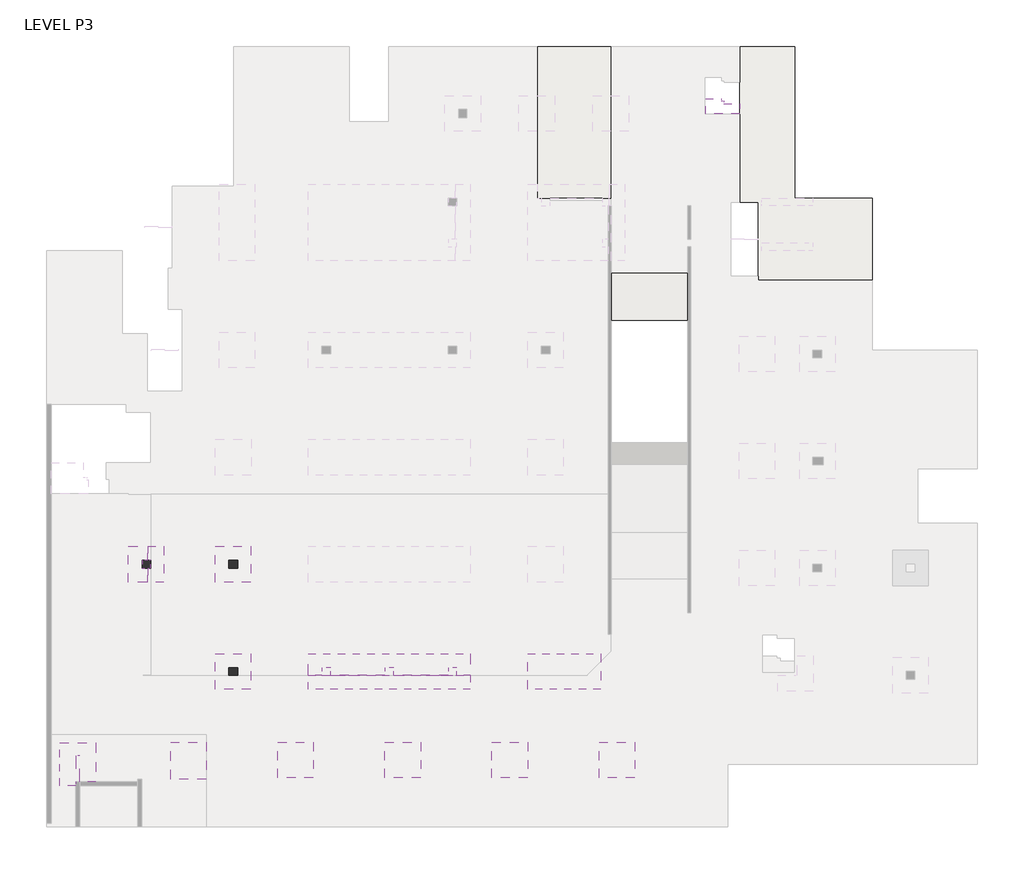
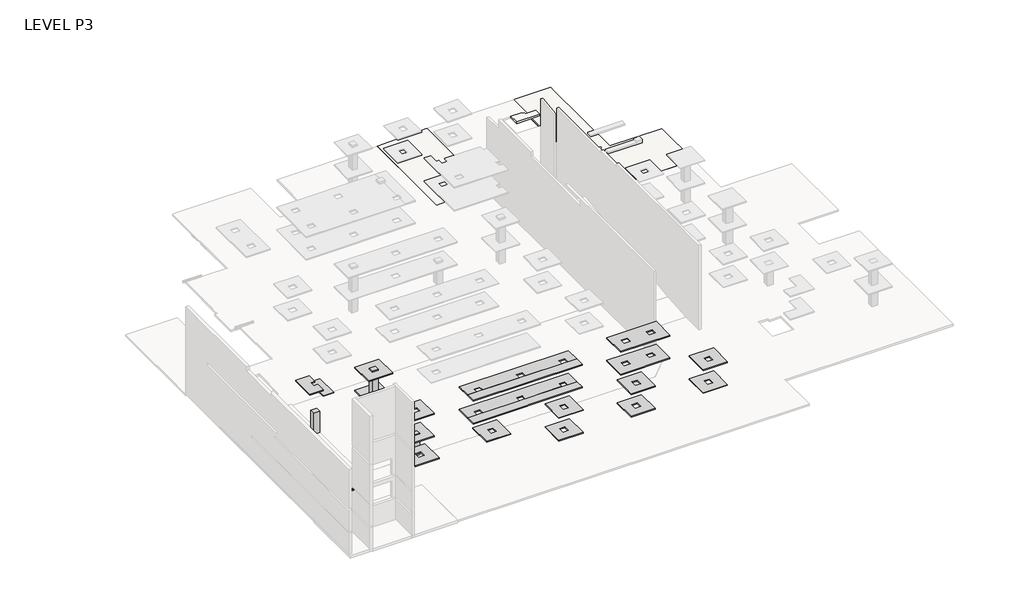
# One storey, part 2 of 4: 33 beams, 4 slabs, 3 columns.
"""IFC4 building model written with IfcOpenShell, lengths in millimetres."""

from ifc_helpers import new_model, si_unit, frame, origin, place, context, project, spatial, polyline, outline, extrude, faceted_brep, element, save

model = new_model("IFC4")

# Units and contexts
model_context = context("Model", 3, world=origin())
ifc_project = project(units=[si_unit("LENGTHUNIT", "METRE", prefix="MILLI")], contexts=[model_context])

# Site, building, storey
site = spatial("IfcSite", under=ifc_project)
building = spatial("IfcBuilding", under=site)
storey = spatial("IfcBuildingStorey", under=building, Name="LEVEL P3", Elevation=-11000.0)

# Beams
placement = place(None, origin())
element("IfcBeam", 1, ObjectType="110 DP.", at=placement, inside=storey, context=model_context, shape_type="SweptSolid", body=[
    extrude(outline(polyline([(186201.1489175, 176563.2322067), (184401.1489175, 176563.2322067), (184401.1489175, 179363.2322067), (186201.1489175, 179363.2322067), (186201.1489175, 178263.2322067), (185501.1489175, 178263.2322067), (185501.1489175, 177663.2322067), (186201.1489175, 177663.2322067), (186201.1489175, 176563.2322067)])), frame((0.0, 0.0, -11110.0), z_axis=(0.0, 0.0, 1.0), x_axis=(1.0, 0.0, 0.0)), (0.0, 0.0, 1.0), 110.0),
])
element("IfcBeam", 2, ObjectType="110 DP.", at=placement, inside=storey, context=model_context, shape_type="Brep", body=[
    faceted_brep([(198546.1491692, 169263.2322067, -11106.5162577), (198546.1491692, 170963.0636145, -11130.4575451), (211246.1491692, 170963.0636145, -11130.4575451), (211246.1491692, 169263.2322067, -11106.5162577), (210196.1491692, 169263.2322067, -11106.5162577), (210196.1491692, 169863.2322067, -11114.9669619), (209496.1491692, 169863.2322067, -11114.9669619), (209496.1491692, 169263.2322067, -11106.5162577), (205246.1491692, 169263.2322067, -11106.5162577), (205246.1491692, 169863.2322067, -11114.9669619), (204546.1491692, 169863.2322067, -11114.9669619), (204546.1491692, 169263.2322067, -11106.5162577), (200296.1491692, 169263.2322067, -11106.5162577), (200296.1491692, 169863.2322067, -11114.9669619), (199596.1491692, 169863.2322067, -11114.9669619), (199596.1491692, 169263.2322067, -11106.5162577), (211246.1491692, 169264.7813489, -10996.5271666), (211246.1491692, 170964.6127566, -11020.468454), (198546.1491692, 170964.6127566, -11020.468454), (198546.1491692, 169264.7813489, -10996.5271666), (199596.1491692, 169264.7813489, -10996.5271666), (199596.1491692, 169863.2322067, -11004.9560519), (200296.1491692, 169863.2322067, -11004.9560519), (200296.1491692, 169264.7813489, -10996.5271666), (204546.1491692, 169264.7813489, -10996.5271666), (204546.1491692, 169863.2322067, -11004.9560519), (205246.1491692, 169863.2322067, -11004.9560519), (205246.1491692, 169264.7813489, -10996.5271666), (209496.1491692, 169264.7813489, -10996.5271666), (209496.1491692, 169863.2322067, -11004.9560519), (210196.1491692, 169863.2322067, -11004.9560519), (210196.1491692, 169264.7813489, -10996.5271666)], [[[0, 1, 2, 3, 4, 5, 6, 7, 8, 9, 10, 11, 12, 13, 14, 15]], [[16, 17, 18, 19, 20, 21, 22, 23, 24, 25, 26, 27, 28, 29, 30, 31]], [[3, 16, 31, 4]], [[1, 0, 19, 18]], [[2, 1, 18, 17]], [[3, 2, 17, 16]], [[5, 30, 29, 6]], [[30, 5, 4, 31]], [[6, 29, 28, 7]], [[9, 26, 25, 10]], [[26, 9, 8, 27]], [[10, 25, 24, 11]], [[13, 22, 21, 14]], [[22, 13, 12, 23]], [[14, 21, 20, 15]], [[7, 28, 27, 8]], [[11, 24, 23, 12]], [[19, 0, 15, 20]]]),
])
element("IfcBeam", 3, ObjectType="110 DP.", at=placement, inside=storey, context=model_context, shape_type="SweptSolid", body=[
    extrude(outline(polyline([(211246.1491692, 168163.2322067), (198546.1491692, 168163.2322067), (198546.1491692, 169263.2322067), (211246.1491692, 169263.2322067), (211246.1491692, 168163.2322067)])), frame((0.0, 0.0, -11110.0), z_axis=(0.0, 0.0, 1.0), x_axis=(1.0, 0.0, 0.0)), (0.0, 0.0, 1.0), 110.0),
])
element("IfcBeam", 4, ObjectType="110 DP.", at=placement, inside=storey, context=model_context, shape_type="SweptSolid", body=[
    extrude(outline(polyline([(-1000.0, 0.0), (0.0, 0.0), (0.0, -2800.0000001), (-1000.0, -2800.0000001), (-1000.0, 0.0)])), frame((186201.1489175, 176563.2322067, -11197.0884577), z_axis=(0.0, 0.014083110254721662, 0.9999008280852424), x_axis=(-1.0, 0.0, 0.0)), (0.0, 0.0, 1.0), 110.0),
])
element("IfcBeam", 5, ObjectType="110 DP.", at=placement, inside=storey, context=model_context, shape_type="SweptSolid", body=[
    extrude(outline(polyline([(221456.1491692, 168163.0636145), (215746.1491692, 168163.0636145), (215746.1491692, 170963.0636145), (221456.1491692, 170963.0636145), (221456.1491692, 168163.0636145)]), holes=[polyline([(216796.1491692, 169263.2322067), (217496.1491692, 169263.2322067), (217496.1491692, 169863.2322067), (216796.1491692, 169863.2322067), (216796.1491692, 169263.2322067)]), polyline([(219706.1491692, 169263.2322067), (220406.1491692, 169263.2322067), (220406.1491692, 169863.2322067), (219706.1491692, 169863.2322067), (219706.1491692, 169263.2322067)])]), frame((0.0, 0.0, -11110.0), z_axis=(0.0, 0.0, 1.0), x_axis=(1.0, 0.0, 0.0)), (0.0, 0.0, 1.0), 110.0),
])
element("IfcBeam", 6, ObjectType="110 DP.", at=placement, inside=storey, context=model_context, shape_type="Brep", body=[
    faceted_brep([(198546.1491692, 169263.2322067, -8306.5162577), (198546.1491692, 170963.0636145, -8330.4575451), (211246.1491692, 170963.0636145, -8330.4575451), (211246.1491692, 169263.2322067, -8306.5162577), (210196.1491692, 169263.2322067, -8306.5162577), (210196.1491692, 169863.2322067, -8314.9669619), (209496.1491692, 169863.2322067, -8314.9669619), (209496.1491692, 169263.2322067, -8306.5162577), (205246.1491692, 169263.2322067, -8306.5162577), (205246.1491692, 169863.2322067, -8314.9669619), (204546.1491692, 169863.2322067, -8314.9669619), (204546.1491692, 169263.2322067, -8306.5162577), (200296.1491692, 169263.2322067, -8306.5162577), (200296.1491692, 169863.2322067, -8314.9669619), (199596.1491692, 169863.2322067, -8314.9669619), (199596.1491692, 169263.2322067, -8306.5162577), (211246.1491692, 169264.7813489, -8196.5271666), (211246.1491692, 170964.6127566, -8220.468454), (198546.1491692, 170964.6127566, -8220.468454), (198546.1491692, 169264.7813489, -8196.5271666), (199596.1491692, 169264.7813489, -8196.5271666), (199596.1491692, 169863.2322067, -8204.9560519), (200296.1491692, 169863.2322067, -8204.9560519), (200296.1491692, 169264.7813489, -8196.5271666), (204546.1491692, 169264.7813489, -8196.5271666), (204546.1491692, 169863.2322067, -8204.9560519), (205246.1491692, 169863.2322067, -8204.9560519), (205246.1491692, 169264.7813489, -8196.5271666), (209496.1491692, 169264.7813489, -8196.5271666), (209496.1491692, 169863.2322067, -8204.9560519), (210196.1491692, 169863.2322067, -8204.9560519), (210196.1491692, 169264.7813489, -8196.5271666)], [[[0, 1, 2, 3, 4, 5, 6, 7, 8, 9, 10, 11, 12, 13, 14, 15]], [[16, 17, 18, 19, 20, 21, 22, 23, 24, 25, 26, 27, 28, 29, 30, 31]], [[3, 16, 31, 4]], [[1, 0, 19, 18]], [[2, 1, 18, 17]], [[3, 2, 17, 16]], [[5, 30, 29, 6]], [[30, 5, 4, 31]], [[6, 29, 28, 7]], [[9, 26, 25, 10]], [[26, 9, 8, 27]], [[10, 25, 24, 11]], [[13, 22, 21, 14]], [[22, 13, 12, 23]], [[14, 21, 20, 15]], [[8, 7, 28, 27]], [[23, 12, 11, 24]], [[19, 0, 15, 20]]]),
])
element("IfcBeam", 7, ObjectType="110 DP.", at=placement, inside=storey, context=model_context, shape_type="Brep", body=[
    faceted_brep([(211246.1491692, 168163.2322067, -8310.0), (198546.1491692, 168163.2322067, -8310.0), (198546.1491692, 169263.2322067, -8310.0), (211246.1491692, 169263.2322067, -8310.0), (211246.1491692, 168163.2322067, -8200.0), (211246.1491692, 169263.2322067, -8200.0), (210196.1491692, 169263.2322067, -8200.0), (209496.1491692, 169263.2322067, -8200.0), (205246.1491692, 169263.2322067, -8200.0), (204546.1491692, 169263.2322067, -8200.0), (200296.1491692, 169263.2322067, -8200.0), (199596.1491692, 169263.2322067, -8200.0), (198546.1491692, 169263.2322067, -8200.0), (198546.1491692, 168163.2322067, -8200.0)], [[[0, 1, 2, 3]], [[4, 5, 6, 7, 8, 9, 10, 11, 12, 13]], [[1, 0, 4, 13]], [[2, 1, 13, 12]], [[3, 2, 12, 11, 10, 9, 8, 7, 6, 5]], [[0, 3, 5, 4]]]),
])
element("IfcBeam", 8, ObjectType="110 DP.", at=placement, inside=storey, context=model_context, shape_type="SweptSolid", body=[
    extrude(outline(polyline([(221456.1491692, 168163.0636145), (215746.1491692, 168163.0636145), (215746.1491692, 170963.0636145), (221456.1491692, 170963.0636145), (221456.1491692, 168163.0636145)]), holes=[polyline([(216796.1491692, 169263.2322067), (217496.1491692, 169263.2322067), (217496.1491692, 169863.2322067), (216796.1491692, 169863.2322067), (216796.1491692, 169263.2322067)]), polyline([(219706.1491692, 169263.2322067), (220406.1491692, 169263.2322067), (220406.1491692, 169863.2322067), (219706.1491692, 169863.2322067), (219706.1491692, 169263.2322067)])]), frame((0.0, 0.0, -8310.0), z_axis=(0.0, 0.0, 1.0), x_axis=(1.0, 0.0, 0.0)), (0.0, 0.0, 1.0), 110.0),
])
element("IfcBeam", 9, ObjectType="110 DP.", at=placement, inside=storey, context=model_context, shape_type="SweptSolid", body=[
    extrude(outline(polyline([(184401.1489175, 176563.2322067), (184401.1489175, 179363.2322067), (185951.1489175, 179363.2322067), (185951.1489175, 178263.2322067), (185501.1489175, 178263.2322067), (185501.1489175, 177663.2322067), (185951.1489175, 177663.2322067), (185951.1489175, 176563.2322067), (184401.1489175, 176563.2322067)])), frame((0.0, 0.0, -4885.0), z_axis=(0.0, 0.0, 1.0), x_axis=(1.0, 0.0, 0.0)), (0.0, 0.0, 1.0), 110.0),
])
element("IfcBeam", 10, ObjectType="110 DP.", at=placement, inside=storey, context=model_context, shape_type="Brep", body=[
    faceted_brep([(198546.1491692, 169263.2322067, -5506.5162577), (198546.1491692, 170963.0636145, -5530.4575451), (211246.1491692, 170963.0636145, -5530.4575451), (211246.1491692, 169263.2322067, -5506.5162577), (210196.1491692, 169263.2322067, -5506.5162577), (210196.1491692, 169863.2322067, -5514.9669619), (209496.1491692, 169863.2322067, -5514.9669619), (209496.1491692, 169263.2322067, -5506.5162577), (205246.1491692, 169263.2322067, -5506.5162577), (205246.1491692, 169863.2322067, -5514.9669619), (204546.1491692, 169863.2322067, -5514.9669619), (204546.1491692, 169263.2322067, -5506.5162577), (200296.1491692, 169263.2322067, -5506.5162577), (200296.1491692, 169863.2322067, -5514.9669619), (199596.1491692, 169863.2322067, -5514.9669619), (199596.1491692, 169263.2322067, -5506.5162577), (211246.1491692, 169264.7813489, -5396.5271666), (211246.1491692, 170964.6127566, -5420.468454), (198546.1491692, 170964.6127566, -5420.468454), (198546.1491692, 169264.7813489, -5396.5271666), (199596.1491692, 169264.7813489, -5396.5271666), (199596.1491692, 169863.2322067, -5404.9560519), (200296.1491692, 169863.2322067, -5404.9560519), (200296.1491692, 169264.7813489, -5396.5271666), (204546.1491692, 169264.7813489, -5396.5271666), (204546.1491692, 169863.2322067, -5404.9560519), (205246.1491692, 169863.2322067, -5404.9560519), (205246.1491692, 169264.7813489, -5396.5271666), (209496.1491692, 169264.7813489, -5396.5271666), (209496.1491692, 169863.2322067, -5404.9560519), (210196.1491692, 169863.2322067, -5404.9560519), (210196.1491692, 169264.7813489, -5396.5271666)], [[[0, 1, 2, 3, 4, 5, 6, 7, 8, 9, 10, 11, 12, 13, 14, 15]], [[16, 17, 18, 19, 20, 21, 22, 23, 24, 25, 26, 27, 28, 29, 30, 31]], [[3, 16, 31, 4]], [[1, 0, 19, 18]], [[2, 1, 18, 17]], [[3, 2, 17, 16]], [[29, 6, 5, 30]], [[30, 5, 4, 31]], [[6, 29, 28, 7]], [[25, 10, 9, 26]], [[26, 9, 8, 27]], [[10, 25, 24, 11]], [[13, 22, 21, 14]], [[22, 13, 12, 23]], [[14, 21, 20, 15]], [[7, 28, 27, 8]], [[11, 24, 23, 12]], [[19, 0, 15, 20]]]),
])
element("IfcBeam", 11, ObjectType="110 DP.", at=placement, inside=storey, context=model_context, shape_type="SweptSolid", body=[
    extrude(outline(polyline([(211246.1491692, 168163.2322067), (198546.1491692, 168163.2322067), (198546.1491692, 169263.2322067), (211246.1491692, 169263.2322067), (211246.1491692, 168163.2322067)])), frame((0.0, 0.0, -5510.0), z_axis=(0.0, 0.0, 1.0), x_axis=(1.0, 0.0, 0.0)), (0.0, 0.0, 1.0), 110.0),
])
element("IfcBeam", 12, ObjectType="110 DP.", at=placement, inside=storey, context=model_context, shape_type="Brep", body=[
    faceted_brep([(187201.1489175, 176563.2322067, -5597.0884577), (185951.1489175, 176563.2322067, -5597.0884577), (185951.1489175, 177663.2322067, -5612.5814155), (186201.1489175, 177663.2322067, -5612.5814155), (186201.1489175, 178263.2322067, -5621.0321197), (185951.1489175, 178263.2322067, -5621.0321197), (185951.1489175, 179362.9545254, -5636.5211664), (187201.1489175, 179362.9545254, -5636.5211664), (187201.1489175, 176564.5594325, -5502.8554311), (185951.1489175, 176564.5594325, -5502.8554311), (185951.1489175, 177663.2322067, -5518.3296955), (185951.1489175, 179364.2817511, -5542.2881398), (187201.1489175, 179364.2817511, -5542.2881398), (186201.1489175, 177663.2322067, -5518.3296955), (186201.1489175, 178263.2322067, -5526.7803997), (185951.1489175, 178263.2322067, -5526.7803997)], [[[0, 1, 2, 3, 4, 5, 6, 7]], [[1, 0, 8, 9]], [[2, 1, 9, 10]], [[7, 6, 11, 12]], [[0, 7, 12, 8]], [[3, 2, 10, 13]], [[5, 4, 14, 15]], [[4, 3, 13, 14]], [[6, 5, 15, 11]], [[9, 8, 12, 11, 15, 14, 13, 10]]]),
])
element("IfcBeam", 13, ObjectType="110 DP.", at=placement, inside=storey, context=model_context, shape_type="SweptSolid", body=[
    extrude(outline(polyline([(221456.1491692, 168163.0636145), (215746.1491692, 168163.0636145), (215746.1491692, 170963.0636145), (221456.1491692, 170963.0636145), (221456.1491692, 168163.0636145)]), holes=[polyline([(216796.1491692, 169263.2322067), (217496.1491692, 169263.2322067), (217496.1491692, 169863.2322067), (216796.1491692, 169863.2322067), (216796.1491692, 169263.2322067)]), polyline([(219706.1491692, 169263.2322067), (220406.1491692, 169263.2322067), (220406.1491692, 169863.2322067), (219706.1491692, 169863.2322067), (219706.1491692, 169263.2322067)])]), frame((0.0, 0.0, -5510.0), z_axis=(0.0, 0.0, 1.0), x_axis=(1.0, 0.0, 0.0)), (0.0, 0.0, 1.0), 110.0),
])
element("IfcBeam", 14, ObjectType="110 DP.", at=placement, inside=storey, context=model_context, shape_type="SweptSolid", body=[
    extrude(outline(polyline([(187736.3204833, 164013.2318341), (190536.3204833, 164013.2318341), (190536.3204833, 161113.2318341), (187736.3204833, 161113.2318341), (187736.3204833, 164013.2318341)]), holes=[polyline([(189436.3204833, 162263.2318341), (189436.3204833, 162963.2318341), (188836.3204833, 162963.2318341), (188836.3204833, 162263.2318341), (189436.3204833, 162263.2318341)])]), frame((0.0, 0.0, -5510.0), z_axis=(0.0, 0.0, 1.0), x_axis=(1.0, 0.0, 0.0)), (0.0, 0.0, 1.0), 110.0),
])
element("IfcBeam", 15, ObjectType="110 DP.", at=placement, inside=storey, context=model_context, shape_type="Brep", body=[
    faceted_brep([(179061.3204833, 160613.2318341, -5510.0), (179061.3204833, 163963.2318341, -5510.0), (181861.3204833, 163963.2318341, -5510.0), (181861.3204833, 160913.2318341, -5510.0), (180611.3204833, 160913.2318341, -5510.0), (180611.3204833, 162963.2318341, -5510.0), (180311.3204833, 162963.2318341, -5510.0), (180311.3204833, 160613.2318341, -5510.0), (181861.3204833, 163963.2318341, -5400.0), (179061.3204833, 163963.2318341, -5400.0), (179061.3204833, 160613.2318341, -5400.0), (180311.3204833, 160613.2318341, -5400.0), (180311.3204833, 160913.2318341, -5400.0), (180311.3204833, 162963.2318341, -5400.0), (180611.3204833, 162963.2318341, -5400.0), (180611.3204833, 160913.2318341, -5400.0), (181861.3204833, 160913.2318341, -5400.0)], [[[0, 1, 2, 3, 4, 5, 6, 7]], [[8, 9, 10, 11, 12, 13, 14, 15, 16]], [[10, 9, 1, 0]], [[9, 8, 2, 1]], [[2, 8, 16, 3]], [[6, 13, 12, 11, 7]], [[3, 16, 15, 4]], [[10, 0, 7, 11]], [[14, 5, 4, 15]], [[5, 14, 13, 6]]]),
])
element("IfcBeam", 16, ObjectType="2800x2800x110 DP.", at=placement, inside=storey, context=model_context, shape_type="Brep", body=[
    faceted_brep([(194036.1491692, 176564.7813489, -11128.8456754), (194036.1491692, 179364.5036675, -11168.2783841), (191236.1491692, 179364.5036675, -11168.2783841), (191236.1491692, 176564.7813489, -11128.8456754), (193096.1491692, 177663.2322067, -11144.3168143), (192296.1491692, 177663.2322067, -11144.3168143), (192296.1491692, 178263.2322067, -11152.7675185), (193096.1491692, 178263.2322067, -11152.7675185), (194036.1491692, 176563.2322067, -11238.8347665), (191236.1491692, 176563.2322067, -11238.8347665), (191236.1491692, 179362.9545254, -11278.2674752), (194036.1491692, 179362.9545254, -11278.2674752), (192296.1491692, 177663.2322067, -11254.3277243), (193096.1491692, 177663.2322067, -11254.3277243), (193096.1491692, 178263.2322067, -11262.7784285), (192296.1491692, 178263.2322067, -11262.7784285)], [[[0, 1, 2, 3], [4, 5, 6, 7]], [[8, 9, 10, 11], [12, 13, 14, 15]], [[0, 3, 9, 8]], [[3, 2, 10, 9]], [[2, 1, 11, 10]], [[1, 0, 8, 11]], [[12, 5, 4, 13]], [[14, 7, 6, 15]], [[7, 14, 13, 4]], [[5, 12, 15, 6]]]),
])
element("IfcBeam", 17, ObjectType="2800x2800x110 DP.", at=placement, inside=storey, context=model_context, shape_type="Brep", body=[
    faceted_brep([(194036.1491692, 168164.890438, -11000.0), (194036.1491692, 170964.6127566, -11039.4327087), (191236.1491692, 170964.6127566, -11039.4327087), (191236.1491692, 168164.890438, -11000.0), (192296.1491692, 169863.2322067, -11023.9203066), (193096.1491692, 169863.2322067, -11023.9203066), (193096.1491692, 169263.2322067, -11015.4696024), (192296.1491692, 169263.2322067, -11015.4696024), (194036.1491692, 168163.3412958, -11109.9890911), (191236.1491692, 168163.3412958, -11109.9890911), (191236.1491692, 170963.0636145, -11149.4217998), (194036.1491692, 170963.0636145, -11149.4217998), (193096.1491692, 169863.2322067, -11133.9312166), (192296.1491692, 169863.2322067, -11133.9312166), (192296.1491692, 169263.2322067, -11125.4805124), (193096.1491692, 169263.2322067, -11125.4805124)], [[[0, 1, 2, 3], [4, 5, 6, 7]], [[8, 9, 10, 11], [12, 13, 14, 15]], [[0, 3, 9, 8]], [[3, 2, 10, 9]], [[2, 1, 11, 10]], [[1, 0, 8, 11]], [[12, 5, 4, 13]], [[5, 12, 15, 6]], [[6, 15, 14, 7]], [[7, 14, 13, 4]]]),
])
element("IfcBeam", 18, ObjectType="2800x2800x110 DP.", at=placement, inside=storey, context=model_context, shape_type="Brep", body=[
    faceted_brep([(187203.8204833, 168164.890438, -11000.1593221), (187203.8204833, 170964.6127566, -11039.5920308), (184403.8204833, 170964.6127566, -11039.5920308), (184403.8204833, 168164.890438, -11000.1593221), (185501.1489175, 169863.2322067, -11024.0796287), (186201.1489175, 169863.2322067, -11024.0796287), (186201.1489175, 169263.2322067, -11015.6289245), (185501.1489175, 169263.2322067, -11015.6289245), (187203.8204833, 168163.3412958, -11110.1484132), (184403.8204833, 168163.3412958, -11110.1484132), (184403.8204833, 170963.0636145, -11149.5811219), (187203.8204833, 170963.0636145, -11149.5811219), (186201.1489175, 169863.2322067, -11134.0905387), (185501.1489175, 169863.2322067, -11134.0905387), (185501.1489175, 169263.2322067, -11125.6398345), (186201.1489175, 169263.2322067, -11125.6398345)], [[[0, 1, 2, 3], [4, 5, 6, 7]], [[8, 9, 10, 11], [12, 13, 14, 15]], [[0, 3, 9, 8]], [[3, 2, 10, 9]], [[2, 1, 11, 10]], [[1, 0, 8, 11]], [[12, 5, 4, 13]], [[5, 12, 15, 6]], [[6, 15, 14, 7]], [[7, 14, 13, 4]]]),
])
element("IfcBeam", 19, ObjectType="2800x2800x110 DP.", at=placement, inside=storey, context=model_context, shape_type="SweptSolid", body=[
    extrude(outline(polyline([(198936.3204833, 161213.2318341), (196136.3204833, 161213.2318341), (196136.3204833, 164013.2318341), (198936.3204833, 164013.2318341), (198936.3204833, 161213.2318341)]), holes=[polyline([(197836.3204833, 162263.2318341), (197836.3204833, 162963.2318341), (197236.3204833, 162963.2318341), (197236.3204833, 162263.2318341), (197836.3204833, 162263.2318341)])]), frame((0.0, 0.0, -11110.0), z_axis=(0.0, 0.0, 1.0), x_axis=(1.0, 0.0, 0.0)), (0.0, 0.0, 1.0), 110.0),
])
element("IfcBeam", 20, ObjectType="2800x2800x110 DP.", at=placement, inside=storey, context=model_context, shape_type="SweptSolid", body=[
    extrude(outline(polyline([(207336.3204833, 161213.2318341), (204536.3204833, 161213.2318341), (204536.3204833, 164013.2318341), (207336.3204833, 164013.2318341), (207336.3204833, 161213.2318341)]), holes=[polyline([(206236.3204833, 162263.2318341), (206236.3204833, 162963.2318341), (205636.3204833, 162963.2318341), (205636.3204833, 162263.2318341), (206236.3204833, 162263.2318341)])]), frame((0.0, 0.0, -11110.0), z_axis=(0.0, 0.0, 1.0), x_axis=(1.0, 0.0, 0.0)), (0.0, 0.0, 1.0), 110.0),
])
element("IfcBeam", 21, ObjectType="2800x2800x110 DP.", at=placement, inside=storey, context=model_context, shape_type="SweptSolid", body=[
    extrude(outline(polyline([(215736.3204833, 161213.2318341), (212936.3204833, 161213.2318341), (212936.3204833, 164013.2318341), (215736.3204833, 164013.2318341), (215736.3204833, 161213.2318341)]), holes=[polyline([(214636.3204833, 162263.2318341), (214636.3204833, 162963.2318341), (214036.3204833, 162963.2318341), (214036.3204833, 162263.2318341), (214636.3204833, 162263.2318341)])]), frame((0.0, 0.0, -11110.0), z_axis=(0.0, 0.0, 1.0), x_axis=(1.0, 0.0, 0.0)), (0.0, 0.0, 1.0), 110.0),
])
element("IfcBeam", 22, ObjectType="2800x2800x110 DP.", at=placement, inside=storey, context=model_context, shape_type="SweptSolid", body=[
    extrude(outline(polyline([(224136.3204833, 161213.2318341), (221336.3204833, 161213.2318341), (221336.3204833, 164013.2318341), (224136.3204833, 164013.2318341), (224136.3204833, 161213.2318341)]), holes=[polyline([(223036.3204833, 162263.2318341), (223036.3204833, 162963.2318341), (222436.3204833, 162963.2318341), (222436.3204833, 162263.2318341), (223036.3204833, 162263.2318341)])]), frame((0.0, 0.0, -11110.0), z_axis=(0.0, 0.0, 1.0), x_axis=(1.0, 0.0, 0.0)), (0.0, 0.0, 1.0), 110.0),
])
element("IfcBeam", 23, ObjectType="2800x2800x110 DP.", at=placement, inside=storey, context=model_context, shape_type="Brep", body=[
    faceted_brep([(194036.1491692, 176564.7813489, -8368.8456754), (194036.1491692, 179364.5036675, -8408.2783841), (191236.1491692, 179364.5036675, -8408.2783841), (191236.1491692, 176564.7813489, -8368.8456754), (192996.1491692, 177663.2322067, -8384.3168143), (192296.1491692, 177663.2322067, -8384.3168143), (192296.1491692, 178263.2322067, -8392.7675185), (192996.1491692, 178263.2322067, -8392.7675185), (194036.1491692, 176563.2322067, -8478.8347665), (191236.1491692, 176563.2322067, -8478.8347665), (191236.1491692, 179362.9545254, -8518.2674752), (194036.1491692, 179362.9545254, -8518.2674752), (192296.1491692, 177663.2322067, -8494.3277243), (192996.1491692, 177663.2322067, -8494.3277243), (192996.1491692, 178263.2322067, -8502.7784285), (192296.1491692, 178263.2322067, -8502.7784285)], [[[0, 1, 2, 3], [4, 5, 6, 7]], [[8, 9, 10, 11], [12, 13, 14, 15]], [[0, 3, 9, 8]], [[3, 2, 10, 9]], [[2, 1, 11, 10]], [[1, 0, 8, 11]], [[12, 5, 4, 13]], [[5, 12, 15, 6]], [[6, 15, 14, 7]], [[7, 14, 13, 4]]]),
])
element("IfcBeam", 24, ObjectType="2800x2800x110 DP.", at=placement, inside=storey, context=model_context, shape_type="Brep", body=[
    faceted_brep([(194036.1491692, 168164.890438, -8200.0), (194036.1491692, 170964.6127566, -8239.4327087), (191236.1491692, 170964.6127566, -8239.4327087), (191236.1491692, 168164.890438, -8200.0), (192296.1491692, 169863.2322067, -8223.9203066), (192996.1491692, 169863.2322067, -8223.9203066), (192996.1491692, 169263.2322067, -8215.4696024), (192296.1491692, 169263.2322067, -8215.4696024), (194036.1491692, 168163.3412958, -8309.9890911), (191236.1491692, 168163.3412958, -8309.9890911), (191236.1491692, 170963.0636145, -8349.4217998), (194036.1491692, 170963.0636145, -8349.4217998), (192996.1491692, 169863.2322067, -8333.9312166), (192296.1491692, 169863.2322067, -8333.9312166), (192296.1491692, 169263.2322067, -8325.4805124), (192996.1491692, 169263.2322067, -8325.4805124)], [[[0, 1, 2, 3], [4, 5, 6, 7]], [[8, 9, 10, 11], [12, 13, 14, 15]], [[0, 3, 9, 8]], [[3, 2, 10, 9]], [[2, 1, 11, 10]], [[1, 0, 8, 11]], [[12, 5, 4, 13]], [[5, 12, 15, 6]], [[6, 15, 14, 7]], [[7, 14, 13, 4]]]),
])
element("IfcBeam", 25, ObjectType="2800x2800x110 DP.", at=placement, inside=storey, context=model_context, shape_type="SweptSolid", body=[
    extrude(outline(polyline([(207336.3204833, 161213.2318341), (204536.3204833, 161213.2318341), (204536.3204833, 164013.2318341), (207336.3204833, 164013.2318341), (207336.3204833, 161213.2318341)]), holes=[polyline([(206236.3204833, 162263.2318341), (206236.3204833, 162963.2318341), (205636.3204833, 162963.2318341), (205636.3204833, 162263.2318341), (206236.3204833, 162263.2318341)])]), frame((0.0, 0.0, -8310.0), z_axis=(0.0, 0.0, 1.0), x_axis=(1.0, 0.0, 0.0)), (0.0, 0.0, 1.0), 110.0),
])
element("IfcBeam", 26, ObjectType="2800x2800x110 DP.", at=placement, inside=storey, context=model_context, shape_type="SweptSolid", body=[
    extrude(outline(polyline([(215736.3204833, 161213.2318341), (212936.3204833, 161213.2318341), (212936.3204833, 164013.2318341), (215736.3204833, 164013.2318341), (215736.3204833, 161213.2318341)]), holes=[polyline([(214636.3204833, 162263.2318341), (214636.3204833, 162963.2318341), (214036.3204833, 162963.2318341), (214036.3204833, 162263.2318341), (214636.3204833, 162263.2318341)])]), frame((0.0, 0.0, -8310.0), z_axis=(0.0, 0.0, 1.0), x_axis=(1.0, 0.0, 0.0)), (0.0, 0.0, 1.0), 110.0),
])
element("IfcBeam", 27, ObjectType="2800x2800x110 DP.", at=placement, inside=storey, context=model_context, shape_type="SweptSolid", body=[
    extrude(outline(polyline([(224136.3204833, 161213.2318341), (221336.3204833, 161213.2318341), (221336.3204833, 164013.2318341), (224136.3204833, 164013.2318341), (224136.3204833, 161213.2318341)]), holes=[polyline([(223036.3204833, 162263.2318341), (223036.3204833, 162963.2318341), (222436.3204833, 162963.2318341), (222436.3204833, 162263.2318341), (223036.3204833, 162263.2318341)])]), frame((0.0, 0.0, -8310.0), z_axis=(0.0, 0.0, 1.0), x_axis=(1.0, 0.0, 0.0)), (0.0, 0.0, 1.0), 110.0),
])
element("IfcBeam", 28, ObjectType="2800x2800x110 DP.", at=placement, inside=storey, context=model_context, shape_type="Brep", body=[
    faceted_brep([(194036.1491692, 176564.7813489, -5508.8456754), (194036.1491692, 179364.5036675, -5548.2783841), (191236.1491692, 179364.5036675, -5548.2783841), (191236.1491692, 176564.7813489, -5508.8456754), (192996.1491692, 177663.2322067, -5524.3168143), (192296.1491692, 177663.2322067, -5524.3168143), (192296.1491692, 178263.2322067, -5532.7675185), (192996.1491692, 178263.2322067, -5532.7675185), (194036.1491692, 176563.2322067, -5618.8347665), (191236.1491692, 176563.2322067, -5618.8347665), (191236.1491692, 179362.9545254, -5658.2674752), (194036.1491692, 179362.9545254, -5658.2674752), (192296.1491692, 177663.2322067, -5634.3277243), (192996.1491692, 177663.2322067, -5634.3277243), (192996.1491692, 178263.2322067, -5642.7784285), (192296.1491692, 178263.2322067, -5642.7784285)], [[[0, 1, 2, 3], [4, 5, 6, 7]], [[8, 9, 10, 11], [12, 13, 14, 15]], [[0, 3, 9, 8]], [[3, 2, 10, 9]], [[2, 1, 11, 10]], [[1, 0, 8, 11]], [[12, 5, 4, 13]], [[5, 12, 15, 6]], [[6, 15, 14, 7]], [[7, 14, 13, 4]]]),
])
element("IfcBeam", 29, ObjectType="2800x2800x110 DP.", at=placement, inside=storey, context=model_context, shape_type="Brep", body=[
    faceted_brep([(194036.1491692, 168164.890438, -5400.0), (194036.1491692, 170964.6127566, -5439.4327087), (191236.1491692, 170964.6127566, -5439.4327087), (191236.1491692, 168164.890438, -5400.0), (192296.1491692, 169863.2322067, -5423.9203066), (192996.1491692, 169863.2322067, -5423.9203066), (192996.1491692, 169263.2322067, -5415.4696024), (192296.1491692, 169263.2322067, -5415.4696024), (194036.1491692, 168163.3412958, -5509.9890911), (191236.1491692, 168163.3412958, -5509.9890911), (191236.1491692, 170963.0636145, -5549.4217998), (194036.1491692, 170963.0636145, -5549.4217998), (192996.1491692, 169863.2322067, -5533.9312166), (192296.1491692, 169863.2322067, -5533.9312166), (192296.1491692, 169263.2322067, -5525.4805124), (192996.1491692, 169263.2322067, -5525.4805124)], [[[0, 1, 2, 3], [4, 5, 6, 7]], [[8, 9, 10, 11], [12, 13, 14, 15]], [[0, 3, 9, 8]], [[3, 2, 10, 9]], [[2, 1, 11, 10]], [[1, 0, 8, 11]], [[12, 5, 4, 13]], [[5, 12, 15, 6]], [[6, 15, 14, 7]], [[7, 14, 13, 4]]]),
])
element("IfcBeam", 30, ObjectType="2800x2800x110 DP.", at=placement, inside=storey, context=model_context, shape_type="SweptSolid", body=[
    extrude(outline(polyline([(198936.3204833, 161213.2318341), (196136.3204833, 161213.2318341), (196136.3204833, 164013.2318341), (198936.3204833, 164013.2318341), (198936.3204833, 161213.2318341)]), holes=[polyline([(197836.3204833, 162263.2318341), (197836.3204833, 162963.2318341), (197236.3204833, 162963.2318341), (197236.3204833, 162263.2318341), (197836.3204833, 162263.2318341)])]), frame((0.0, 0.0, -5510.0), z_axis=(0.0, 0.0, 1.0), x_axis=(1.0, 0.0, 0.0)), (0.0, 0.0, 1.0), 110.0),
])
element("IfcBeam", 31, ObjectType="2800x2800x110 DP.", at=placement, inside=storey, context=model_context, shape_type="SweptSolid", body=[
    extrude(outline(polyline([(207336.3204833, 161213.2318341), (204536.3204833, 161213.2318341), (204536.3204833, 164013.2318341), (207336.3204833, 164013.2318341), (207336.3204833, 161213.2318341)]), holes=[polyline([(206236.3204833, 162263.2318341), (206236.3204833, 162963.2318341), (205636.3204833, 162963.2318341), (205636.3204833, 162263.2318341), (206236.3204833, 162263.2318341)])]), frame((0.0, 0.0, -5510.0), z_axis=(0.0, 0.0, 1.0), x_axis=(1.0, 0.0, 0.0)), (0.0, 0.0, 1.0), 110.0),
])
element("IfcBeam", 32, ObjectType="2800x2800x110 DP.", at=placement, inside=storey, context=model_context, shape_type="SweptSolid", body=[
    extrude(outline(polyline([(215736.3204833, 161213.2318341), (212936.3204833, 161213.2318341), (212936.3204833, 164013.2318341), (215736.3204833, 164013.2318341), (215736.3204833, 161213.2318341)]), holes=[polyline([(214636.3204833, 162263.2318341), (214636.3204833, 162963.2318341), (214036.3204833, 162963.2318341), (214036.3204833, 162263.2318341), (214636.3204833, 162263.2318341)])]), frame((0.0, 0.0, -5510.0), z_axis=(0.0, 0.0, 1.0), x_axis=(1.0, 0.0, 0.0)), (0.0, 0.0, 1.0), 110.0),
])
element("IfcBeam", 33, ObjectType="2800x2800x110 DP.", at=placement, inside=storey, context=model_context, shape_type="SweptSolid", body=[
    extrude(outline(polyline([(224136.3204833, 161213.2318341), (221336.3204833, 161213.2318341), (221336.3204833, 164013.2318341), (224136.3204833, 164013.2318341), (224136.3204833, 161213.2318341)]), holes=[polyline([(223036.3204833, 162263.2318341), (223036.3204833, 162963.2318341), (222436.3204833, 162963.2318341), (222436.3204833, 162263.2318341), (223036.3204833, 162263.2318341)])]), frame((0.0, 0.0, -5510.0), z_axis=(0.0, 0.0, 1.0), x_axis=(1.0, 0.0, 0.0)), (0.0, 0.0, 1.0), 110.0),
])

# Columns
element("IfcColumn", 34, ObjectType="SE_CONCRETE COLUMN_RECTANGULAR : 600X700", at=placement, inside=storey, context=model_context, shape_type="Brep", body=[
    faceted_brep([(186201.1489175, 177663.2322067, -11000.0), (185501.1489175, 177663.2322067, -11000.0), (185501.1489175, 178263.2322067, -11000.0), (186201.1489175, 178263.2322067, -11000.0), (186201.1489175, 177663.2322067, -8200.0), (185501.1489175, 177663.2322067, -8200.0), (185501.1489175, 177663.2322067, -8400.0), (185501.1489175, 177663.2322067, -8510.0), (186201.1489175, 177663.2322067, -8510.0), (186201.1489175, 177663.2322067, -8400.0), (185501.1489175, 178263.2322067, -8200.0), (185501.1489175, 178263.2322067, -8400.0), (185501.1489175, 178263.2322067, -8510.0), (186201.1489175, 178263.2322067, -8200.0), (186201.1489175, 178263.2322067, -8400.0), (186201.1489175, 178263.2322067, -8510.0)], [[[0, 1, 2, 3]], [[4, 5, 6, 7, 1, 0, 8, 9]], [[5, 10, 11, 12, 2, 1, 7, 6]], [[10, 13, 14, 15, 3, 2, 12, 11]], [[13, 4, 9, 8, 0, 3, 15, 14]], [[4, 13, 10, 5]]]),
])
element("IfcColumn", 35, ObjectType="SE_CONCRETE COLUMN_RECTANGULAR : 600X700", at=placement, inside=storey, context=model_context, shape_type="Brep", body=[
    faceted_brep([(192996.1491692, 177663.2322067, -11000.0), (192296.1491692, 177663.2322067, -11000.0), (192296.1491692, 178263.2322067, -11000.0), (192996.1491692, 178263.2322067, -11000.0), (192996.1491692, 177663.2322067, -5400.0), (192296.1491692, 177663.2322067, -5400.0), (192296.1491692, 177663.2322067, -5524.3168143), (192296.1491692, 177663.2322067, -5634.3277243), (192296.1491692, 177663.2322067, -8384.3168143), (192296.1491692, 177663.2322067, -8494.3277243), (192996.1491692, 177663.2322067, -8494.3277243), (192996.1491692, 177663.2322067, -8384.3168143), (192996.1491692, 177663.2322067, -5634.3277243), (192996.1491692, 177663.2322067, -5524.3168143), (192296.1491692, 178263.2322067, -5400.0), (192296.1491692, 178263.2322067, -5532.7675185), (192296.1491692, 178263.2322067, -5642.7784285), (192296.1491692, 178263.2322067, -8392.7675185), (192296.1491692, 178263.2322067, -8502.7784285), (192996.1491692, 178263.2322067, -5400.0), (192996.1491692, 178263.2322067, -5532.7675185), (192996.1491692, 178263.2322067, -5642.7784285), (192996.1491692, 178263.2322067, -8392.7675185), (192996.1491692, 178263.2322067, -8502.7784285)], [[[0, 1, 2, 3]], [[4, 5, 6, 7, 8, 9, 1, 0, 10, 11, 12, 13]], [[5, 14, 15, 16, 17, 18, 2, 1, 9, 8, 7, 6]], [[14, 19, 20, 21, 22, 23, 3, 2, 18, 17, 16, 15]], [[19, 4, 13, 12, 11, 10, 0, 3, 23, 22, 21, 20]], [[4, 19, 14, 5]]]),
])
element("IfcColumn", 36, ObjectType="SE_CONCRETE COLUMN_RECTANGULAR : 600X700", at=placement, inside=storey, context=model_context, shape_type="Brep", body=[
    faceted_brep([(192296.1491692, 169863.2322067, -11000.0), (192996.1491692, 169863.2322067, -11000.0), (192996.1491692, 169263.2322067, -11000.0), (192296.1491692, 169263.2322067, -11000.0), (192296.1491692, 169863.2322067, -8200.0), (192996.1491692, 169863.2322067, -8200.0), (192996.1491692, 169863.2322067, -8223.9203066), (192996.1491692, 169863.2322067, -8333.9312166), (192296.1491692, 169863.2322067, -8333.9312166), (192296.1491692, 169863.2322067, -8223.9203066), (192996.1491692, 169263.2322067, -8200.0), (192996.1491692, 169263.2322067, -8215.4696024), (192996.1491692, 169263.2322067, -8325.4805124), (192296.1491692, 169263.2322067, -8200.0), (192296.1491692, 169263.2322067, -8215.4696024), (192296.1491692, 169263.2322067, -8325.4805124)], [[[0, 1, 2, 3]], [[4, 5, 6, 7, 1, 0, 8, 9]], [[5, 10, 11, 12, 2, 1, 7, 6]], [[10, 13, 14, 15, 3, 2, 12, 11]], [[13, 4, 9, 8, 0, 3, 15, 14]], [[4, 13, 10, 5]]]),
])

# Slabs
element("IfcSlab", 37, ObjectType="200 SLAB", at=placement, inside=storey, context=model_context, shape_type="SweptSolid", body=[
    extrude(outline(polyline([(-11200.1188707, 216496.1491692), (-11000.1188707, 222296.1491692), (-10800.0, 222296.1491692), (-11000.0, 216496.1491692), (-11200.1188707, 216496.1491692)])), frame((0.0, 206663.2322067, 0.0), z_axis=(0.0, 1.0, 0.0), x_axis=(0.0, 0.0, 1.0)), (0.0, 0.0, 1.0), 11899.9996273),
])
element("IfcSlab", 38, ObjectType="200 SLAB", at=placement, inside=storey, context=model_context, shape_type="SweptSolid", body=[
    extrude(outline(polyline([(229685.5971201, 213278.2318341), (229685.5971201, 214454.5274851), (230938.0971201, 214454.5274851), (230938.0971201, 214329.5274851), (231130.5971201, 214329.5274851), (231130.5971201, 214074.5274851), (232375.5971201, 214074.5274851), (232375.5971201, 213278.2318341), (229685.5971201, 213278.2318341)])), frame((0.0, 0.0, -9600.0), z_axis=(0.0, 0.0, 1.0), x_axis=(1.0, 0.0, 0.0)), (0.0, 0.0, 1.0), 200.0),
])
element("IfcSlab", 39, ObjectType="225 SLAB", at=placement, inside=storey, context=model_context, shape_type="Brep", body=[
    faceted_brep([(222296.1491692, 200767.6490053, -11025.6377011), (228296.1491692, 200767.6490053, -11025.6377011), (228296.1491692, 197357.6490053, -11282.5555093), (228296.1491692, 197157.6490053, -11297.6240025), (222296.1491692, 197157.6490053, -11297.6240025), (222296.1491692, 197357.6490053, -11282.5555093), (228296.1491692, 197117.6490053, -11075.0), (228296.1491692, 200767.6490053, -10800.0), (222296.1491692, 200767.6490053, -10800.0), (222296.1491692, 197117.6490053, -11075.0), (228296.1491692, 197117.6490053, -11080.3876085), (228296.1491692, 197157.6490053, -11075.0), (228296.1491692, 200767.6490053, -11000.0), (222296.1491692, 197117.6490053, -11080.3876085), (222296.1491692, 200767.6490053, -11000.0), (222296.1491692, 197157.6490053, -11075.0)], [[[0, 1, 2, 3, 4, 5]], [[6, 7, 8, 9]], [[7, 6, 10, 11, 3, 2, 1, 12]], [[6, 9, 13, 10]], [[9, 8, 14, 0, 5, 4, 15, 13]], [[1, 0, 14, 8, 7, 12]], [[15, 11, 10, 13]], [[11, 15, 4, 3]]]),
])
element("IfcSlab", 40, ObjectType="250 TRANSFER SLAB", at=placement, inside=storey, context=model_context, shape_type="Brep", body=[
    faceted_brep([(242751.1491692, 206663.2322067, -11050.0), (242751.1491692, 203163.2322067, -11050.0), (242751.1491692, 202763.2322067, -11050.0), (242751.1491692, 200248.1983002, -11050.0), (233812.4721706, 200248.1983002, -11050.0), (233812.4721706, 200548.1983002, -11050.0), (233812.4721706, 206363.2322067, -11050.0), (232377.4721706, 206363.2322067, -11050.0), (232377.4721706, 213278.2318341, -11050.0), (232377.4721706, 218263.2318341, -11050.0), (232377.4721706, 218563.2318341, -11050.0), (232525.5971201, 218563.2318341, -11050.0), (236677.4721706, 218563.2318341, -11050.0), (236677.4721706, 218113.2318341, -11050.0), (236677.4721706, 206663.2322067, -11050.0), (242751.1491692, 206663.2322067, -10800.0), (236677.4721706, 206663.2322067, -10800.0), (236677.4721706, 218113.2318341, -10800.0), (236677.4721706, 218563.2318341, -10800.0), (232525.5971201, 218563.2318341, -10800.0), (232377.4721706, 218563.2318341, -10800.0), (232377.4721706, 206363.2322067, -10800.0), (233812.4721706, 206363.2322067, -10800.0), (233812.4721706, 205138.2322067, -10800.0), (233812.4721706, 201773.2322067, -10800.0), (233812.4721706, 200548.1983002, -10800.0), (233812.4721706, 200248.1983002, -10800.0), (242751.1491692, 200248.1983002, -10800.0), (242751.1491692, 200248.1983002, -11000.0), (232377.4721706, 218563.2318341, -11000.0), (233812.4721706, 200248.1983002, -11000.0)], [[[0, 1, 2, 3, 4, 5, 6, 7, 8, 9, 10, 11, 12, 13, 14]], [[15, 16, 17, 18, 19, 20, 21, 22, 23, 24, 25, 26, 27]], [[0, 14, 16, 15]], [[3, 2, 1, 0, 15, 27, 28]], [[12, 11, 10, 29, 20, 19, 18]], [[14, 13, 12, 18, 17, 16]], [[4, 3, 28, 27, 26, 30]], [[6, 5, 4, 30, 26, 25, 24, 23, 22]], [[7, 6, 22, 21]], [[10, 9, 8, 7, 21, 20, 29]]]),
])

save(model, "model.ifc")
